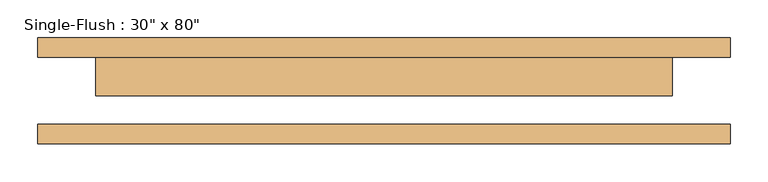
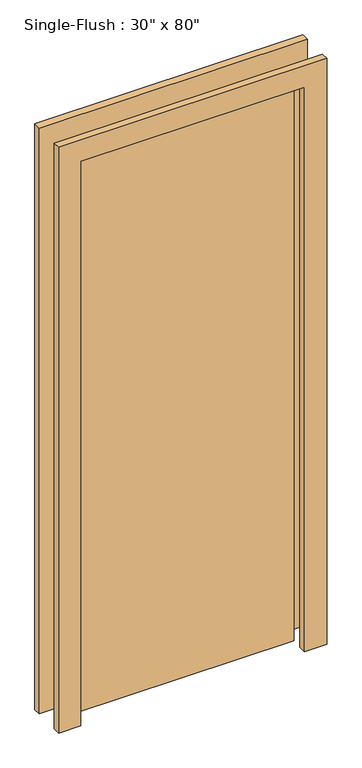
"""IFC4 building model written with IfcOpenShell, lengths in millimetres: door geometry."""

from ifc_helpers import new_model, si_unit, frame, origin, origin_with_axes, place, context, project, spatial, polyline, outline, extrude, source, transform, mapped, element, save


def door_48fdda32(model_context):
    return source(origin(), model_context, "Body", "SweptSolid", [
        extrude(outline(polyline([(2108.2, -457.2), (0.0, -457.2), (0.0, -381.0), (2032.0, -381.0), (2032.0, 381.0), (0.0, 381.0), (0.0, 457.2), (2108.2, 457.2), (2108.2, -457.2)])), frame((0.0, 44.45, 0.0), z_axis=(0.0, 1.0, 0.0), x_axis=(0.0, 0.0, 1.0)), (0.0, 0.0, 1.0), 25.4),
        extrude(outline(polyline([(2108.2, 457.2), (2108.2, -457.2), (0.0, -457.2), (0.0, -381.0), (2032.0, -381.0), (2032.0, 381.0), (0.0, 381.0), (0.0, 457.2), (2108.2, 457.2)])), frame((0.0, -69.85, 0.0), z_axis=(0.0, 1.0, 0.0), x_axis=(0.0, 0.0, 1.0)), (0.0, 0.0, 1.0), 25.4),
        extrude(outline(polyline([(381.0, -6.35), (-381.0, -6.35), (-381.0, 44.45), (381.0, 44.45), (381.0, -6.35)])), origin_with_axes(), (0.0, 0.0, 1.0), 2032.0),
    ])


if __name__ == "__main__":
    model = new_model("IFC4")
    model_context = context("Model", 3, world=origin())
    ifc_project = project(units=[si_unit("LENGTHUNIT", "METRE", prefix="MILLI")], contexts=[model_context])
    site = spatial("IfcSite", under=ifc_project)
    building = spatial("IfcBuilding", under=site)
    placement = place(None, origin())
    door_shape = door_48fdda32(model_context)
    element("IfcDoor", 1, ObjectType="Single-Flush : 30\" x 80\"", at=placement, inside=building, context=model_context, shape_type="MappedRepresentation", body=[
        mapped(door_shape, transform((0.0, 0.0, 0.0), x_axis=(1.0, 0.0, 0.0), y_axis=(0.0, 1.0, 0.0), z_axis=(0.0, 0.0, 1.0))),
    ])
    save(model, "model.ifc")
